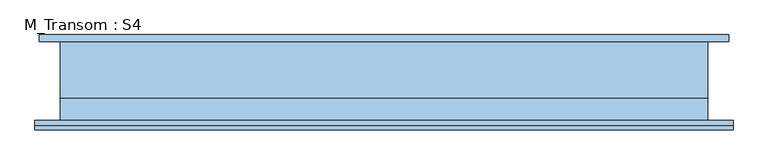
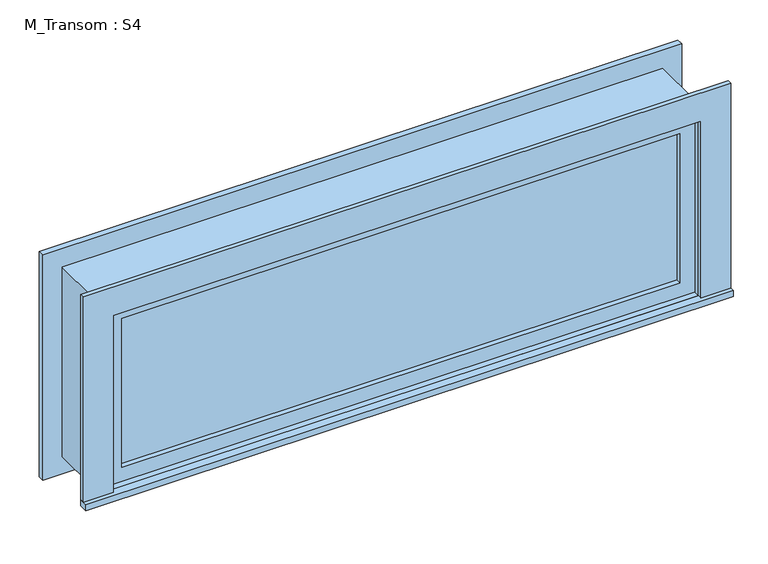
"""IFC4 building model written with IfcOpenShell, lengths in millimetres: window geometry, M_Transom : S4."""

from ifc_helpers import new_model, si_unit, frame, origin, place, context, project, spatial, polyline, outline, extrude, source, transform, mapped, element, save


def m_transom_s4_8c77bb66(model_context):
    return source(origin(), model_context, "Body", "SweptSolid", [
        extrude(outline(polyline([(-1008.05, -135.7), (-1008.05, -110.0), (931.85, -110.0), (931.85, -135.7), (-1008.05, -135.7)])), frame((0.0, 0.0, 2159.0), z_axis=(0.0, 0.0, 1.0), x_axis=(1.0, 0.0, 0.0)), (0.0, 0.0, 1.0), 19.05),
        extrude(outline(polyline([(2739.95, -919.05), (2739.95, 842.85), (2178.05, 842.85), (2178.05, 931.85), (2828.95, 931.85), (2828.95, -1008.05), (2178.05, -1008.05), (2178.05, -919.05), (2739.95, -919.05)])), frame((0.0, -123.0, 0.0), z_axis=(0.0, 1.0, 0.0), x_axis=(0.0, 0.0, 1.0)), (0.0, 0.0, 1.0), 13.0),
        extrude(outline(polyline([(2816.25, 919.15), (2816.25, -995.35), (2101.75, -995.35), (2101.75, 919.15), (2816.25, 919.15)]), holes=[polyline([(2727.25, 830.15), (2190.75, 830.15), (2190.75, -906.35), (2727.25, -906.35), (2727.25, 830.15)])]), frame((0.0, 110.0, 0.0), z_axis=(0.0, 1.0, 0.0), x_axis=(0.0, 0.0, 1.0)), (0.0, 0.0, 1.0), 19.0),
        extrude(outline(polyline([(798.4, -62.425), (798.4, -75.125), (-874.6, -75.125), (-874.6, -62.425), (798.4, -62.425)])), frame((0.0, 0.0, 2222.5), z_axis=(0.0, 0.0, 1.0), x_axis=(1.0, 0.0, 0.0)), (0.0, 0.0, 1.0), 473.0),
        extrude(outline(polyline([(2739.95, -919.05), (2178.05, -919.05), (2178.05, 842.85), (2739.95, 842.85), (2739.95, -919.05)]), holes=[polyline([(2695.5, -874.6), (2695.5, 798.4), (2222.5, 798.4), (2222.5, -874.6), (2695.5, -874.6)])]), frame((0.0, -91.0, 0.0), z_axis=(0.0, 1.0, 0.0), x_axis=(0.0, 0.0, 1.0)), (0.0, 0.0, 1.0), 44.45),
        extrude(outline(polyline([(2759.0, -938.1), (2159.0, -938.1), (2159.0, 861.9), (2759.0, 861.9), (2759.0, -938.1)]), holes=[polyline([(2727.25, -906.35), (2727.25, 830.15), (2190.75, 830.15), (2190.75, -906.35), (2727.25, -906.35)])]), frame((0.0, -46.55, 0.0), z_axis=(0.0, 1.0, 0.0), x_axis=(0.0, 0.0, 1.0)), (0.0, 0.0, 1.0), 156.55),
        extrude(outline(polyline([(2759.0, 861.9), (2759.0, -938.1), (2159.0, -938.1), (2159.0, 861.9), (2759.0, 861.9)]), holes=[polyline([(2739.95, 842.85), (2178.05, 842.85), (2178.05, -919.05), (2739.95, -919.05), (2739.95, 842.85)])]), frame((0.0, -110.0, 0.0), z_axis=(0.0, 1.0, 0.0), x_axis=(0.0, 0.0, 1.0)), (0.0, 0.0, 1.0), 63.45),
    ])


if __name__ == "__main__":
    model = new_model("IFC4")
    model_context = context("Model", 3, world=origin())
    ifc_project = project(units=[si_unit("LENGTHUNIT", "METRE", prefix="MILLI")], contexts=[model_context])
    site = spatial("IfcSite", under=ifc_project)
    building = spatial("IfcBuilding", under=site)
    placement = place(None, origin())
    m_transom_s4_shape = m_transom_s4_8c77bb66(model_context)
    element("IfcWindow", 1, ObjectType="M_Transom : S4", at=placement, inside=building, context=model_context, shape_type="MappedRepresentation", body=[
        mapped(m_transom_s4_shape, transform((0.0, 0.0, 0.0), x_axis=(1.0, 0.0, 0.0), y_axis=(0.0, 1.0, 0.0), z_axis=(0.0, 0.0, 1.0))),
    ])
    save(model, "model.ifc")
